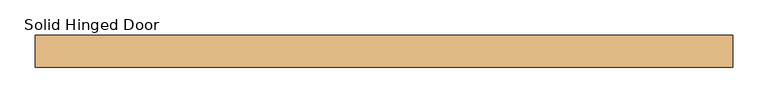
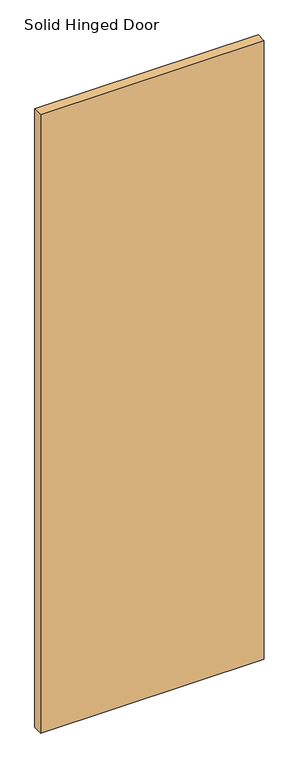
"""IFC4 building model written with IfcOpenShell, lengths in millimetres: door geometry, Solid Hinged Door."""

import ifcopenshell
import ifcopenshell.guid

model = None  # the IFC model being written
_history = None  # IfcOwnerHistory: only IFC2X3 demands one
_inside = {}  # id of a spatial element -> (the spatial element, [elements in it])
_under = {}  # id of a project, library or spatial element -> (it, [spatial elements below it])
_declared = {}  # id of a project -> (the project, [libraries it declares])
_typed = {}  # id of a type object -> (the type object, [elements of that type])
_made_of = {}  # id of a material, layer set ... -> (it, [elements and type objects made of it])


def new_model(schema):
    """Start an empty IFC model of exactly this schema.

    Asked for "IFC4X3", IfcOpenShell would pick the latest addendum, in which some entities
    have other attributes; the version numbers below select the first issue.
    IFC2X3 requires an IfcOwnerHistory on every rooted entity: one is made here for all.
    """
    global model, _history
    if schema == "IFC4X3":
        model = ifcopenshell.file(schema_version=(4, 3, 0, 0))
    else:
        model = ifcopenshell.file(schema=schema)
    _inside.clear()
    _under.clear()
    _declared.clear()
    _typed.clear()
    _made_of.clear()
    _history = None
    if model.schema == "IFC2X3":
        org = make("IfcOrganization", Name="unknown")
        user = make(
            "IfcPersonAndOrganization",
            ThePerson=make("IfcPerson", FamilyName="unknown"),
            TheOrganization=org,
        )
        app = make(
            "IfcApplication",
            ApplicationDeveloper=org,
            Version="unknown",
            ApplicationFullName="unknown",
            ApplicationIdentifier="unknown",
        )
        _history = make(
            "IfcOwnerHistory",
            OwningUser=user,
            OwningApplication=app,
            ChangeAction="ADDED",
            CreationDate=0,
        )
    return model


def make(cls, **values):
    """One entity of the class cls with the attributes given. An attribute that is None is left unset."""
    return model.create_entity(
        cls, **{name: value for name, value in values.items() if value is not None}
    )


def rooted(cls, **values):
    """An entity with a GlobalId (a new one), such as an element, a storey or a relation."""
    return make(cls, GlobalId=ifcopenshell.guid.new(), OwnerHistory=_history, **values)


def si_unit(unit_type, name, prefix=None):
    """IfcSIUnit, for example si_unit("LENGTHUNIT", "METRE", prefix="MILLI")."""
    return make("IfcSIUnit", UnitType=unit_type, Prefix=prefix, Name=name)


def assignment(units):
    """IfcUnitAssignment: the units of a project."""
    return None if units is None else make("IfcUnitAssignment", Units=units)


def point(xyz):
    """IfcCartesianPoint."""
    return None if xyz is None else make("IfcCartesianPoint", Coordinates=xyz)


def direction(xyz):
    """IfcDirection."""
    return None if xyz is None else make("IfcDirection", DirectionRatios=xyz)


def frame(location, z_axis=None, x_axis=None):
    """IfcAxis2Placement3D, a coordinate frame: its origin and axes. An axis left out is left unset."""
    return make(
        "IfcAxis2Placement3D",
        Location=point(location),
        Axis=direction(z_axis),
        RefDirection=direction(x_axis),
    )


def origin():
    """The frame at (0, 0, 0) with its axes left unset."""
    return frame((0.0, 0.0, 0.0))


def place(relative_to, where):
    """IfcLocalPlacement: puts the frame where relative to a parent placement (None: the world)."""
    return make(
        "IfcLocalPlacement", PlacementRelTo=relative_to, RelativePlacement=where
    )


def context(
    kind, dimensions, precision=None, world=None, true_north=None, identifier=None
):
    """IfcGeometricRepresentationContext, for example the 3D "Model" context."""
    return make(
        "IfcGeometricRepresentationContext",
        ContextIdentifier=identifier,
        ContextType=kind,
        CoordinateSpaceDimension=dimensions,
        Precision=precision,
        WorldCoordinateSystem=world,
        TrueNorth=true_north,
    )


def project(units=None, contexts=None):
    """IfcProject with its units and contexts."""
    return rooted(
        "IfcProject",
        Name="project",
        RepresentationContexts=contexts,
        UnitsInContext=assignment(units),
    )


def spatial(cls, under=None, at=None, **own):
    """A site, building, storey or space (cls), placed at a placement, below another one or the project."""
    s = rooted(cls, ObjectPlacement=at, **own)
    if under is not None:
        _under.setdefault(under.id(), (under, []))[1].append(s)
    return s


def polyline(points):
    """IfcPolyline through the points."""
    return make("IfcPolyline", Points=[point(p) for p in points])


def outline(outer, holes=None, kind="AREA"):
    """IfcArbitraryClosedProfileDef: a profile drawn as a closed curve; with holes, ...WithVoids."""
    if holes is None:
        return make("IfcArbitraryClosedProfileDef", ProfileType=kind, OuterCurve=outer)
    return make(
        "IfcArbitraryProfileDefWithVoids",
        ProfileType=kind,
        OuterCurve=outer,
        InnerCurves=holes,
    )


def extrude(swept, where, along, depth):
    """IfcExtrudedAreaSolid: the profile swept, set in the frame where, extruded along a direction by depth."""
    return make(
        "IfcExtrudedAreaSolid",
        SweptArea=swept,
        Position=where,
        ExtrudedDirection=direction(along),
        Depth=depth,
    )


def shape(context_of_items, identifier, shape_type, items):
    """IfcShapeRepresentation: the items that make up one representation, for example the "Body"."""
    return make(
        "IfcShapeRepresentation",
        ContextOfItems=context_of_items,
        RepresentationIdentifier=identifier,
        RepresentationType=shape_type,
        Items=items,
    )


def source(mapping_origin, context_of_items, identifier, shape_type, items):
    """IfcRepresentationMap: a shape defined once, which mapped items show again and again."""
    return make(
        "IfcRepresentationMap",
        MappingOrigin=mapping_origin,
        MappedRepresentation=shape(context_of_items, identifier, shape_type, items),
    )


def transform(
    local_origin,
    x_axis=None,
    y_axis=None,
    z_axis=None,
    scale=None,
    scale2=None,
    scale3=None,
    uniform=True,
):
    """IfcCartesianTransformationOperator3D, or its non-uniform kind. x_axis, y_axis, z_axis: its Axis1, 2, 3."""
    if uniform:
        return make(
            "IfcCartesianTransformationOperator3D",
            Axis1=direction(x_axis),
            Axis2=direction(y_axis),
            LocalOrigin=point(local_origin),
            Scale=scale,
            Axis3=direction(z_axis),
        )
    return make(
        "IfcCartesianTransformationOperator3DnonUniform",
        Axis1=direction(x_axis),
        Axis2=direction(y_axis),
        LocalOrigin=point(local_origin),
        Scale=scale,
        Axis3=direction(z_axis),
        Scale2=scale2,
        Scale3=scale3,
    )


def mapped(mapping_source, mapping_target):
    """IfcMappedItem: shows the shape of a source again, moved by a transform."""
    return make(
        "IfcMappedItem", MappingSource=mapping_source, MappingTarget=mapping_target
    )


def made_of(thing, what):
    """Note that an element or type object is made of a material, layer set ...; save() writes the relation."""
    if what is not None:
        _made_of.setdefault(what.id(), (what, []))[1].append(thing)
    return thing


def element(
    cls,
    number,
    at=None,
    inside=None,
    cuts=None,
    type_object=None,
    material=None,
    context=None,
    identifier="Body",
    shape_type=None,
    held_by="IfcProductDefinitionShape",
    body=None,
    shapes=None,
    **own,
):
    """One element of the class cls, such as IfcWall. Its Tag is "e" and its number.

    at: its placement. inside: the storey or other place that contains it. cuts: it is an
    opening in that element (IfcRelVoidsElement). A single representation is given by context,
    identifier, shape_type and body (its items); several are given by shapes. held_by: the class
    of the entity that holds the representations. save() writes the other relations.
    """
    e = rooted(cls, Tag="e%d" % number, ObjectPlacement=at, **own)
    if body is not None:
        shapes = [shape(context, identifier, shape_type, body)]
    if shapes is not None:
        e.Representation = make(held_by, Representations=shapes)
    if inside is not None:
        _inside.setdefault(inside.id(), (inside, []))[1].append(e)
    if cuts is not None:
        rooted(
            "IfcRelVoidsElement", RelatingBuildingElement=cuts, RelatedOpeningElement=e
        )
    if type_object is not None:
        _typed.setdefault(type_object.id(), (type_object, []))[1].append(e)
    return made_of(e, material)


def aggregate(whole, parts):
    """IfcRelAggregates: a whole, such as a stair, and the parts it consists of."""
    return rooted("IfcRelAggregates", RelatingObject=whole, RelatedObjects=parts)


def save(model, path):
    """Write the relations noted so far, then the file.

    IfcRelAggregates (storeys below a building ...), IfcRelContainedInSpatialStructure (elements
    in a storey), IfcRelDefinesByType, IfcRelAssociatesMaterial and IfcRelDeclares: one each for
    every whole, place, type object, material and project.
    """
    for whole, parts in _under.values():
        aggregate(whole, parts)
    for where, things in _inside.values():
        rooted(
            "IfcRelContainedInSpatialStructure",
            RelatedElements=things,
            RelatingStructure=where,
        )
    for kind, things in _typed.values():
        rooted("IfcRelDefinesByType", RelatedObjects=things, RelatingType=kind)
    for what, things in _made_of.values():
        rooted("IfcRelAssociatesMaterial", RelatedObjects=things, RelatingMaterial=what)
    for by, libraries in _declared.values():
        rooted("IfcRelDeclares", RelatingContext=by, RelatedDefinitions=libraries)
    model.write(path)


def solid_hinged_door_a356d400(model_context):
    return source(origin(), model_context, "Body", "SweptSolid", [
        extrude(outline(polyline([(490.9483606, -22.225), (-490.9483606, -22.225), (-490.9483606, 22.225), (490.9483606, 22.225), (490.9483606, -22.225)])), frame((0.0, 0.0, 12.7), z_axis=(0.0, 0.0, 1.0), x_axis=(1.0, 0.0, 0.0)), (0.0, 0.0, 1.0), 2869.8787999),
        extrude(outline(polyline([(465.5483606, 9.0035062), (-465.5483606, 9.0035062), (-465.5483606, 10.6037062), (465.5483606, 10.6037062), (465.5483606, 9.0035062)])), frame((0.0, 0.0, 12.7), z_axis=(0.0, 0.0, 1.0), x_axis=(1.0, 0.0, 0.0)), (0.0, 0.0, 1.0), 254.0),
        extrude(outline(polyline([(465.5483606, 20.6248), (-465.5483606, 20.6248), (-465.5483606, 22.225), (465.5483606, 22.225), (465.5483606, 20.6248)])), frame((0.0, 0.0, 12.7), z_axis=(0.0, 0.0, 1.0), x_axis=(1.0, 0.0, 0.0)), (0.0, 0.0, 1.0), 254.0),
    ])


if __name__ == "__main__":
    model = new_model("IFC4")
    model_context = context("Model", 3, world=origin())
    ifc_project = project(units=[si_unit("LENGTHUNIT", "METRE", prefix="MILLI")], contexts=[model_context])
    site = spatial("IfcSite", under=ifc_project)
    building = spatial("IfcBuilding", under=site)
    placement = place(None, origin())
    solid_hinged_door_shape = solid_hinged_door_a356d400(model_context)
    element("IfcDoor", 1, ObjectType="Solid Hinged Door", at=placement, inside=building, context=model_context, shape_type="MappedRepresentation", body=[
        mapped(solid_hinged_door_shape, transform((0.0, 0.0, 0.0), x_axis=(1.0, 0.0, 0.0), y_axis=(0.0, 1.0, 0.0), z_axis=(0.0, 0.0, 1.0))),
    ])
    save(model, "model.ifc")
